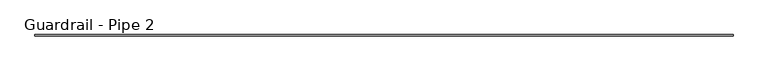
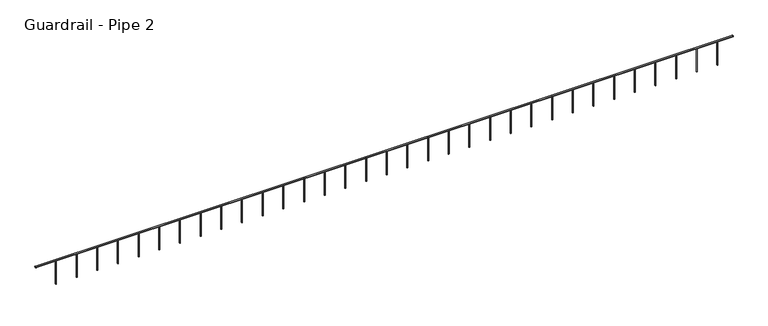
"""IFC4 building model written with IfcOpenShell, lengths in millimetres: railing geometry, Guardrail - Pipe 2."""

from ifc_helpers import new_model, si_unit, point, frame, frame_2d, origin, place, context, project, spatial, circle_curve, trimmed, segment, composite_curve, outline, extrude, source, transform, mapped, element, save


def guardrail_pipe_2_4e10f3d5(model_context):
    return source(origin(), model_context, "Body", "SweptSolid", [
        extrude(outline(composite_curve([segment(trimmed(circle_curve(frame_2d((-505576.6955223, 5010.15)), 19.05), [point((-505557.6455223, 5010.15))], [point((-505595.7455223, 5010.15))], False, "CARTESIAN"), True, "CONTINUOUS"), segment(trimmed(circle_curve(frame_2d((-505576.6955223, 5010.15)), 19.05), [point((-505595.7455223, 5010.15))], [point((-505557.6455223, 5010.15))], False, "CARTESIAN"), True, "CONTINUOUS")], self_intersect=False)), frame((223846.8129676, 0.0, 0.0), z_axis=(1.0, 0.0, 0.0), x_axis=(0.0, 1.0, 0.0)), (0.0, 0.0, 1.0), 20567.5743209),
        extrude(outline(composite_curve([segment(trimmed(circle_curve(frame_2d((243963.6129676, -505576.6955223)), 12.7), [point((243963.6129676, -505563.9955223))], [point((243963.6129676, -505589.3955223))], False, "CARTESIAN"), True, "CONTINUOUS"), segment(trimmed(circle_curve(frame_2d((243963.6129676, -505576.6955223)), 12.7), [point((243963.6129676, -505589.3955223))], [point((243963.6129676, -505563.9955223))], False, "CARTESIAN"), True, "CONTINUOUS")], self_intersect=False)), frame((0.0, 0.0, 4267.2), z_axis=(0.0, 0.0, 1.0), x_axis=(1.0, 0.0, 0.0)), (0.0, 0.0, 1.0), 723.9),
        extrude(outline(composite_curve([segment(trimmed(circle_curve(frame_2d((243354.0129676, -505576.6955223)), 12.7), [point((243354.0129676, -505563.9955223))], [point((243354.0129676, -505589.3955223))], False, "CARTESIAN"), True, "CONTINUOUS"), segment(trimmed(circle_curve(frame_2d((243354.0129676, -505576.6955223)), 12.7), [point((243354.0129676, -505589.3955223))], [point((243354.0129676, -505563.9955223))], False, "CARTESIAN"), True, "CONTINUOUS")], self_intersect=False)), frame((0.0, 0.0, 4267.2), z_axis=(0.0, 0.0, 1.0), x_axis=(1.0, 0.0, 0.0)), (0.0, 0.0, 1.0), 723.9),
        extrude(outline(composite_curve([segment(trimmed(circle_curve(frame_2d((242744.4129676, -505576.6955223)), 12.7), [point((242744.4129676, -505563.9955223))], [point((242744.4129676, -505589.3955223))], False, "CARTESIAN"), True, "CONTINUOUS"), segment(trimmed(circle_curve(frame_2d((242744.4129676, -505576.6955223)), 12.7), [point((242744.4129676, -505589.3955223))], [point((242744.4129676, -505563.9955223))], False, "CARTESIAN"), True, "CONTINUOUS")], self_intersect=False)), frame((0.0, 0.0, 4267.2), z_axis=(0.0, 0.0, 1.0), x_axis=(1.0, 0.0, 0.0)), (0.0, 0.0, 1.0), 723.9),
        extrude(outline(composite_curve([segment(trimmed(circle_curve(frame_2d((242134.8129676, -505576.6955223)), 12.7), [point((242134.8129676, -505563.9955223))], [point((242134.8129676, -505589.3955223))], False, "CARTESIAN"), True, "CONTINUOUS"), segment(trimmed(circle_curve(frame_2d((242134.8129676, -505576.6955223)), 12.7), [point((242134.8129676, -505589.3955223))], [point((242134.8129676, -505563.9955223))], False, "CARTESIAN"), True, "CONTINUOUS")], self_intersect=False)), frame((0.0, 0.0, 4267.2), z_axis=(0.0, 0.0, 1.0), x_axis=(1.0, 0.0, 0.0)), (0.0, 0.0, 1.0), 723.9),
        extrude(outline(composite_curve([segment(trimmed(circle_curve(frame_2d((241525.2129676, -505576.6955223)), 12.7), [point((241525.2129676, -505563.9955223))], [point((241525.2129676, -505589.3955223))], False, "CARTESIAN"), True, "CONTINUOUS"), segment(trimmed(circle_curve(frame_2d((241525.2129676, -505576.6955223)), 12.7), [point((241525.2129676, -505589.3955223))], [point((241525.2129676, -505563.9955223))], False, "CARTESIAN"), True, "CONTINUOUS")], self_intersect=False)), frame((0.0, 0.0, 4267.2), z_axis=(0.0, 0.0, 1.0), x_axis=(1.0, 0.0, 0.0)), (0.0, 0.0, 1.0), 723.9),
        extrude(outline(composite_curve([segment(trimmed(circle_curve(frame_2d((240915.6129676, -505576.6955223)), 12.7), [point((240915.6129676, -505563.9955223))], [point((240915.6129676, -505589.3955223))], False, "CARTESIAN"), True, "CONTINUOUS"), segment(trimmed(circle_curve(frame_2d((240915.6129676, -505576.6955223)), 12.7), [point((240915.6129676, -505589.3955223))], [point((240915.6129676, -505563.9955223))], False, "CARTESIAN"), True, "CONTINUOUS")], self_intersect=False)), frame((0.0, 0.0, 4267.2), z_axis=(0.0, 0.0, 1.0), x_axis=(1.0, 0.0, 0.0)), (0.0, 0.0, 1.0), 723.9),
        extrude(outline(composite_curve([segment(trimmed(circle_curve(frame_2d((240306.0129676, -505576.6955223)), 12.7), [point((240306.0129676, -505563.9955223))], [point((240306.0129676, -505589.3955223))], False, "CARTESIAN"), True, "CONTINUOUS"), segment(trimmed(circle_curve(frame_2d((240306.0129676, -505576.6955223)), 12.7), [point((240306.0129676, -505589.3955223))], [point((240306.0129676, -505563.9955223))], False, "CARTESIAN"), True, "CONTINUOUS")], self_intersect=False)), frame((0.0, 0.0, 4267.2), z_axis=(0.0, 0.0, 1.0), x_axis=(1.0, 0.0, 0.0)), (0.0, 0.0, 1.0), 723.9),
        extrude(outline(composite_curve([segment(trimmed(circle_curve(frame_2d((239696.4129676, -505576.6955223)), 12.7), [point((239696.4129676, -505563.9955223))], [point((239696.4129676, -505589.3955223))], False, "CARTESIAN"), True, "CONTINUOUS"), segment(trimmed(circle_curve(frame_2d((239696.4129676, -505576.6955223)), 12.7), [point((239696.4129676, -505589.3955223))], [point((239696.4129676, -505563.9955223))], False, "CARTESIAN"), True, "CONTINUOUS")], self_intersect=False)), frame((0.0, 0.0, 4267.2), z_axis=(0.0, 0.0, 1.0), x_axis=(1.0, 0.0, 0.0)), (0.0, 0.0, 1.0), 723.9),
        extrude(outline(composite_curve([segment(trimmed(circle_curve(frame_2d((239086.8129676, -505576.6955223)), 12.7), [point((239086.8129676, -505563.9955223))], [point((239086.8129676, -505589.3955223))], False, "CARTESIAN"), True, "CONTINUOUS"), segment(trimmed(circle_curve(frame_2d((239086.8129676, -505576.6955223)), 12.7), [point((239086.8129676, -505589.3955223))], [point((239086.8129676, -505563.9955223))], False, "CARTESIAN"), True, "CONTINUOUS")], self_intersect=False)), frame((0.0, 0.0, 4267.2), z_axis=(0.0, 0.0, 1.0), x_axis=(1.0, 0.0, 0.0)), (0.0, 0.0, 1.0), 723.9),
        extrude(outline(composite_curve([segment(trimmed(circle_curve(frame_2d((238477.2129676, -505576.6955223)), 12.7), [point((238477.2129676, -505563.9955223))], [point((238477.2129676, -505589.3955223))], False, "CARTESIAN"), True, "CONTINUOUS"), segment(trimmed(circle_curve(frame_2d((238477.2129676, -505576.6955223)), 12.7), [point((238477.2129676, -505589.3955223))], [point((238477.2129676, -505563.9955223))], False, "CARTESIAN"), True, "CONTINUOUS")], self_intersect=False)), frame((0.0, 0.0, 4267.2), z_axis=(0.0, 0.0, 1.0), x_axis=(1.0, 0.0, 0.0)), (0.0, 0.0, 1.0), 723.9),
        extrude(outline(composite_curve([segment(trimmed(circle_curve(frame_2d((237867.6129676, -505576.6955223)), 12.7), [point((237867.6129676, -505563.9955223))], [point((237867.6129676, -505589.3955223))], False, "CARTESIAN"), True, "CONTINUOUS"), segment(trimmed(circle_curve(frame_2d((237867.6129676, -505576.6955223)), 12.7), [point((237867.6129676, -505589.3955223))], [point((237867.6129676, -505563.9955223))], False, "CARTESIAN"), True, "CONTINUOUS")], self_intersect=False)), frame((0.0, 0.0, 4267.2), z_axis=(0.0, 0.0, 1.0), x_axis=(1.0, 0.0, 0.0)), (0.0, 0.0, 1.0), 723.9),
        extrude(outline(composite_curve([segment(trimmed(circle_curve(frame_2d((237258.0129676, -505576.6955223)), 12.7), [point((237258.0129676, -505563.9955223))], [point((237258.0129676, -505589.3955223))], False, "CARTESIAN"), True, "CONTINUOUS"), segment(trimmed(circle_curve(frame_2d((237258.0129676, -505576.6955223)), 12.7), [point((237258.0129676, -505589.3955223))], [point((237258.0129676, -505563.9955223))], False, "CARTESIAN"), True, "CONTINUOUS")], self_intersect=False)), frame((0.0, 0.0, 4267.2), z_axis=(0.0, 0.0, 1.0), x_axis=(1.0, 0.0, 0.0)), (0.0, 0.0, 1.0), 723.9),
        extrude(outline(composite_curve([segment(trimmed(circle_curve(frame_2d((236648.4129676, -505576.6955223)), 12.7), [point((236648.4129676, -505563.9955223))], [point((236648.4129676, -505589.3955223))], False, "CARTESIAN"), True, "CONTINUOUS"), segment(trimmed(circle_curve(frame_2d((236648.4129676, -505576.6955223)), 12.7), [point((236648.4129676, -505589.3955223))], [point((236648.4129676, -505563.9955223))], False, "CARTESIAN"), True, "CONTINUOUS")], self_intersect=False)), frame((0.0, 0.0, 4267.2), z_axis=(0.0, 0.0, 1.0), x_axis=(1.0, 0.0, 0.0)), (0.0, 0.0, 1.0), 723.9),
        extrude(outline(composite_curve([segment(trimmed(circle_curve(frame_2d((236038.8129676, -505576.6955223)), 12.7), [point((236038.8129676, -505563.9955223))], [point((236038.8129676, -505589.3955223))], False, "CARTESIAN"), True, "CONTINUOUS"), segment(trimmed(circle_curve(frame_2d((236038.8129676, -505576.6955223)), 12.7), [point((236038.8129676, -505589.3955223))], [point((236038.8129676, -505563.9955223))], False, "CARTESIAN"), True, "CONTINUOUS")], self_intersect=False)), frame((0.0, 0.0, 4267.2), z_axis=(0.0, 0.0, 1.0), x_axis=(1.0, 0.0, 0.0)), (0.0, 0.0, 1.0), 723.9),
        extrude(outline(composite_curve([segment(trimmed(circle_curve(frame_2d((235429.2129676, -505576.6955223)), 12.7), [point((235429.2129676, -505563.9955223))], [point((235429.2129676, -505589.3955223))], False, "CARTESIAN"), True, "CONTINUOUS"), segment(trimmed(circle_curve(frame_2d((235429.2129676, -505576.6955223)), 12.7), [point((235429.2129676, -505589.3955223))], [point((235429.2129676, -505563.9955223))], False, "CARTESIAN"), True, "CONTINUOUS")], self_intersect=False)), frame((0.0, 0.0, 4267.2), z_axis=(0.0, 0.0, 1.0), x_axis=(1.0, 0.0, 0.0)), (0.0, 0.0, 1.0), 723.9),
        extrude(outline(composite_curve([segment(trimmed(circle_curve(frame_2d((234819.6129676, -505576.6955223)), 12.7), [point((234819.6129676, -505563.9955223))], [point((234819.6129676, -505589.3955223))], False, "CARTESIAN"), True, "CONTINUOUS"), segment(trimmed(circle_curve(frame_2d((234819.6129676, -505576.6955223)), 12.7), [point((234819.6129676, -505589.3955223))], [point((234819.6129676, -505563.9955223))], False, "CARTESIAN"), True, "CONTINUOUS")], self_intersect=False)), frame((0.0, 0.0, 4267.2), z_axis=(0.0, 0.0, 1.0), x_axis=(1.0, 0.0, 0.0)), (0.0, 0.0, 1.0), 723.9),
        extrude(outline(composite_curve([segment(trimmed(circle_curve(frame_2d((234210.0129676, -505576.6955223)), 12.7), [point((234210.0129676, -505563.9955223))], [point((234210.0129676, -505589.3955223))], False, "CARTESIAN"), True, "CONTINUOUS"), segment(trimmed(circle_curve(frame_2d((234210.0129676, -505576.6955223)), 12.7), [point((234210.0129676, -505589.3955223))], [point((234210.0129676, -505563.9955223))], False, "CARTESIAN"), True, "CONTINUOUS")], self_intersect=False)), frame((0.0, 0.0, 4267.2), z_axis=(0.0, 0.0, 1.0), x_axis=(1.0, 0.0, 0.0)), (0.0, 0.0, 1.0), 723.9),
        extrude(outline(composite_curve([segment(trimmed(circle_curve(frame_2d((233600.4129676, -505576.6955223)), 12.7), [point((233600.4129676, -505563.9955223))], [point((233600.4129676, -505589.3955223))], False, "CARTESIAN"), True, "CONTINUOUS"), segment(trimmed(circle_curve(frame_2d((233600.4129676, -505576.6955223)), 12.7), [point((233600.4129676, -505589.3955223))], [point((233600.4129676, -505563.9955223))], False, "CARTESIAN"), True, "CONTINUOUS")], self_intersect=False)), frame((0.0, 0.0, 4267.2), z_axis=(0.0, 0.0, 1.0), x_axis=(1.0, 0.0, 0.0)), (0.0, 0.0, 1.0), 723.9),
        extrude(outline(composite_curve([segment(trimmed(circle_curve(frame_2d((232990.8129676, -505576.6955223)), 12.7), [point((232990.8129676, -505563.9955223))], [point((232990.8129676, -505589.3955223))], False, "CARTESIAN"), True, "CONTINUOUS"), segment(trimmed(circle_curve(frame_2d((232990.8129676, -505576.6955223)), 12.7), [point((232990.8129676, -505589.3955223))], [point((232990.8129676, -505563.9955223))], False, "CARTESIAN"), True, "CONTINUOUS")], self_intersect=False)), frame((0.0, 0.0, 4267.2), z_axis=(0.0, 0.0, 1.0), x_axis=(1.0, 0.0, 0.0)), (0.0, 0.0, 1.0), 723.9),
        extrude(outline(composite_curve([segment(trimmed(circle_curve(frame_2d((232381.2129676, -505576.6955223)), 12.7), [point((232381.2129676, -505563.9955223))], [point((232381.2129676, -505589.3955223))], False, "CARTESIAN"), True, "CONTINUOUS"), segment(trimmed(circle_curve(frame_2d((232381.2129676, -505576.6955223)), 12.7), [point((232381.2129676, -505589.3955223))], [point((232381.2129676, -505563.9955223))], False, "CARTESIAN"), True, "CONTINUOUS")], self_intersect=False)), frame((0.0, 0.0, 4267.2), z_axis=(0.0, 0.0, 1.0), x_axis=(1.0, 0.0, 0.0)), (0.0, 0.0, 1.0), 723.9),
        extrude(outline(composite_curve([segment(trimmed(circle_curve(frame_2d((231771.6129676, -505576.6955223)), 12.7), [point((231771.6129676, -505563.9955223))], [point((231771.6129676, -505589.3955223))], False, "CARTESIAN"), True, "CONTINUOUS"), segment(trimmed(circle_curve(frame_2d((231771.6129676, -505576.6955223)), 12.7), [point((231771.6129676, -505589.3955223))], [point((231771.6129676, -505563.9955223))], False, "CARTESIAN"), True, "CONTINUOUS")], self_intersect=False)), frame((0.0, 0.0, 4267.2), z_axis=(0.0, 0.0, 1.0), x_axis=(1.0, 0.0, 0.0)), (0.0, 0.0, 1.0), 723.9),
        extrude(outline(composite_curve([segment(trimmed(circle_curve(frame_2d((231162.0129676, -505576.6955223)), 12.7), [point((231162.0129676, -505563.9955223))], [point((231162.0129676, -505589.3955223))], False, "CARTESIAN"), True, "CONTINUOUS"), segment(trimmed(circle_curve(frame_2d((231162.0129676, -505576.6955223)), 12.7), [point((231162.0129676, -505589.3955223))], [point((231162.0129676, -505563.9955223))], False, "CARTESIAN"), True, "CONTINUOUS")], self_intersect=False)), frame((0.0, 0.0, 4267.2), z_axis=(0.0, 0.0, 1.0), x_axis=(1.0, 0.0, 0.0)), (0.0, 0.0, 1.0), 723.9),
        extrude(outline(composite_curve([segment(trimmed(circle_curve(frame_2d((230552.4129676, -505576.6955223)), 12.7), [point((230552.4129676, -505563.9955223))], [point((230552.4129676, -505589.3955223))], False, "CARTESIAN"), True, "CONTINUOUS"), segment(trimmed(circle_curve(frame_2d((230552.4129676, -505576.6955223)), 12.7), [point((230552.4129676, -505589.3955223))], [point((230552.4129676, -505563.9955223))], False, "CARTESIAN"), True, "CONTINUOUS")], self_intersect=False)), frame((0.0, 0.0, 4267.2), z_axis=(0.0, 0.0, 1.0), x_axis=(1.0, 0.0, 0.0)), (0.0, 0.0, 1.0), 723.9),
        extrude(outline(composite_curve([segment(trimmed(circle_curve(frame_2d((229942.8129676, -505576.6955223)), 12.7), [point((229942.8129676, -505563.9955223))], [point((229942.8129676, -505589.3955223))], False, "CARTESIAN"), True, "CONTINUOUS"), segment(trimmed(circle_curve(frame_2d((229942.8129676, -505576.6955223)), 12.7), [point((229942.8129676, -505589.3955223))], [point((229942.8129676, -505563.9955223))], False, "CARTESIAN"), True, "CONTINUOUS")], self_intersect=False)), frame((0.0, 0.0, 4267.2), z_axis=(0.0, 0.0, 1.0), x_axis=(1.0, 0.0, 0.0)), (0.0, 0.0, 1.0), 723.9),
        extrude(outline(composite_curve([segment(trimmed(circle_curve(frame_2d((229333.2129676, -505576.6955223)), 12.7), [point((229333.2129676, -505563.9955223))], [point((229333.2129676, -505589.3955223))], False, "CARTESIAN"), True, "CONTINUOUS"), segment(trimmed(circle_curve(frame_2d((229333.2129676, -505576.6955223)), 12.7), [point((229333.2129676, -505589.3955223))], [point((229333.2129676, -505563.9955223))], False, "CARTESIAN"), True, "CONTINUOUS")], self_intersect=False)), frame((0.0, 0.0, 4267.2), z_axis=(0.0, 0.0, 1.0), x_axis=(1.0, 0.0, 0.0)), (0.0, 0.0, 1.0), 723.9),
        extrude(outline(composite_curve([segment(trimmed(circle_curve(frame_2d((228723.6129676, -505576.6955223)), 12.7), [point((228723.6129676, -505563.9955223))], [point((228723.6129676, -505589.3955223))], False, "CARTESIAN"), True, "CONTINUOUS"), segment(trimmed(circle_curve(frame_2d((228723.6129676, -505576.6955223)), 12.7), [point((228723.6129676, -505589.3955223))], [point((228723.6129676, -505563.9955223))], False, "CARTESIAN"), True, "CONTINUOUS")], self_intersect=False)), frame((0.0, 0.0, 4267.2), z_axis=(0.0, 0.0, 1.0), x_axis=(1.0, 0.0, 0.0)), (0.0, 0.0, 1.0), 723.9),
        extrude(outline(composite_curve([segment(trimmed(circle_curve(frame_2d((228114.0129676, -505576.6955223)), 12.7), [point((228114.0129676, -505563.9955223))], [point((228114.0129676, -505589.3955223))], False, "CARTESIAN"), True, "CONTINUOUS"), segment(trimmed(circle_curve(frame_2d((228114.0129676, -505576.6955223)), 12.7), [point((228114.0129676, -505589.3955223))], [point((228114.0129676, -505563.9955223))], False, "CARTESIAN"), True, "CONTINUOUS")], self_intersect=False)), frame((0.0, 0.0, 4267.2), z_axis=(0.0, 0.0, 1.0), x_axis=(1.0, 0.0, 0.0)), (0.0, 0.0, 1.0), 723.9),
        extrude(outline(composite_curve([segment(trimmed(circle_curve(frame_2d((227504.4129676, -505576.6955223)), 12.7), [point((227504.4129676, -505563.9955223))], [point((227504.4129676, -505589.3955223))], False, "CARTESIAN"), True, "CONTINUOUS"), segment(trimmed(circle_curve(frame_2d((227504.4129676, -505576.6955223)), 12.7), [point((227504.4129676, -505589.3955223))], [point((227504.4129676, -505563.9955223))], False, "CARTESIAN"), True, "CONTINUOUS")], self_intersect=False)), frame((0.0, 0.0, 4267.2), z_axis=(0.0, 0.0, 1.0), x_axis=(1.0, 0.0, 0.0)), (0.0, 0.0, 1.0), 723.9),
        extrude(outline(composite_curve([segment(trimmed(circle_curve(frame_2d((226894.8129676, -505576.6955223)), 12.7), [point((226894.8129676, -505563.9955223))], [point((226894.8129676, -505589.3955223))], False, "CARTESIAN"), True, "CONTINUOUS"), segment(trimmed(circle_curve(frame_2d((226894.8129676, -505576.6955223)), 12.7), [point((226894.8129676, -505589.3955223))], [point((226894.8129676, -505563.9955223))], False, "CARTESIAN"), True, "CONTINUOUS")], self_intersect=False)), frame((0.0, 0.0, 4267.2), z_axis=(0.0, 0.0, 1.0), x_axis=(1.0, 0.0, 0.0)), (0.0, 0.0, 1.0), 723.9),
        extrude(outline(composite_curve([segment(trimmed(circle_curve(frame_2d((226285.2129676, -505576.6955223)), 12.7), [point((226285.2129676, -505563.9955223))], [point((226285.2129676, -505589.3955223))], False, "CARTESIAN"), True, "CONTINUOUS"), segment(trimmed(circle_curve(frame_2d((226285.2129676, -505576.6955223)), 12.7), [point((226285.2129676, -505589.3955223))], [point((226285.2129676, -505563.9955223))], False, "CARTESIAN"), True, "CONTINUOUS")], self_intersect=False)), frame((0.0, 0.0, 4267.2), z_axis=(0.0, 0.0, 1.0), x_axis=(1.0, 0.0, 0.0)), (0.0, 0.0, 1.0), 723.9),
        extrude(outline(composite_curve([segment(trimmed(circle_curve(frame_2d((225675.6129676, -505576.6955223)), 12.7), [point((225675.6129676, -505563.9955223))], [point((225675.6129676, -505589.3955223))], False, "CARTESIAN"), True, "CONTINUOUS"), segment(trimmed(circle_curve(frame_2d((225675.6129676, -505576.6955223)), 12.7), [point((225675.6129676, -505589.3955223))], [point((225675.6129676, -505563.9955223))], False, "CARTESIAN"), True, "CONTINUOUS")], self_intersect=False)), frame((0.0, 0.0, 4267.2), z_axis=(0.0, 0.0, 1.0), x_axis=(1.0, 0.0, 0.0)), (0.0, 0.0, 1.0), 723.9),
        extrude(outline(composite_curve([segment(trimmed(circle_curve(frame_2d((225066.0129676, -505576.6955223)), 12.7), [point((225066.0129676, -505563.9955223))], [point((225066.0129676, -505589.3955223))], False, "CARTESIAN"), True, "CONTINUOUS"), segment(trimmed(circle_curve(frame_2d((225066.0129676, -505576.6955223)), 12.7), [point((225066.0129676, -505589.3955223))], [point((225066.0129676, -505563.9955223))], False, "CARTESIAN"), True, "CONTINUOUS")], self_intersect=False)), frame((0.0, 0.0, 4267.2), z_axis=(0.0, 0.0, 1.0), x_axis=(1.0, 0.0, 0.0)), (0.0, 0.0, 1.0), 723.9),
        extrude(outline(composite_curve([segment(trimmed(circle_curve(frame_2d((224456.4129676, -505576.6955223)), 12.7), [point((224456.4129676, -505563.9955223))], [point((224456.4129676, -505589.3955223))], False, "CARTESIAN"), True, "CONTINUOUS"), segment(trimmed(circle_curve(frame_2d((224456.4129676, -505576.6955223)), 12.7), [point((224456.4129676, -505589.3955223))], [point((224456.4129676, -505563.9955223))], False, "CARTESIAN"), True, "CONTINUOUS")], self_intersect=False)), frame((0.0, 0.0, 4267.2), z_axis=(0.0, 0.0, 1.0), x_axis=(1.0, 0.0, 0.0)), (0.0, 0.0, 1.0), 723.9),
    ])


if __name__ == "__main__":
    model = new_model("IFC4")
    model_context = context("Model", 3, world=origin())
    ifc_project = project(units=[si_unit("LENGTHUNIT", "METRE", prefix="MILLI")], contexts=[model_context])
    site = spatial("IfcSite", under=ifc_project)
    building = spatial("IfcBuilding", under=site)
    placement = place(None, origin())
    guardrail_pipe_2_shape = guardrail_pipe_2_4e10f3d5(model_context)
    element("IfcRailing", 1, ObjectType="Guardrail - Pipe 2", at=placement, inside=building, context=model_context, shape_type="MappedRepresentation", body=[
        mapped(guardrail_pipe_2_shape, transform((0.0, 0.0, 0.0), x_axis=(1.0, 0.0, 0.0), y_axis=(0.0, 1.0, 0.0), z_axis=(0.0, 0.0, 1.0))),
    ])
    save(model, "model.ifc")
